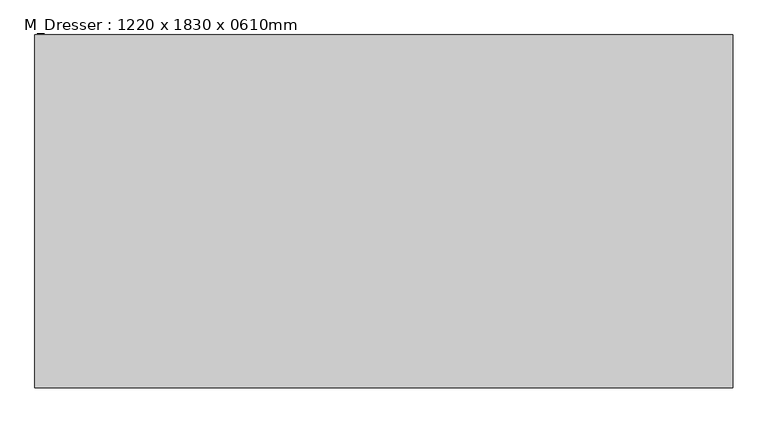
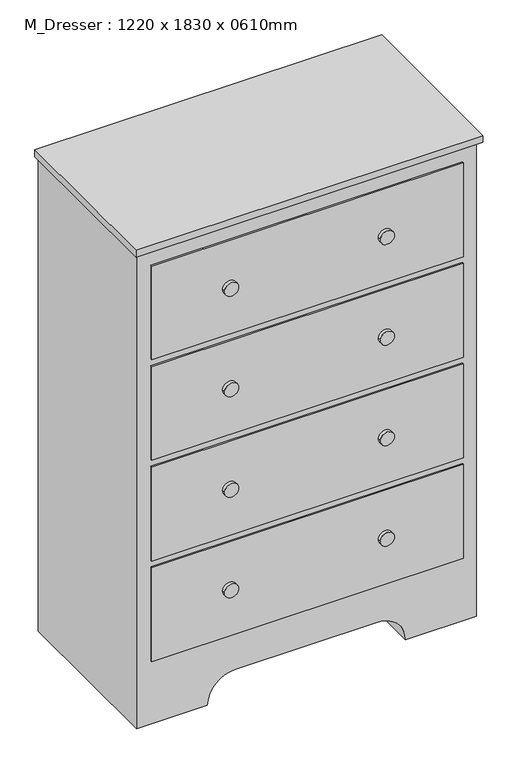
"""IFC4 building model written with IfcOpenShell, lengths in millimetres: furniture geometry, M_Dresser : 1220 x 1830 x 0610mm."""

from ifc_helpers import new_model, si_unit, point, frame, frame_2d, origin, place, context, project, spatial, polyline, circle_curve, trimmed, segment, composite_curve, outline, extrude, source, transform, mapped, element, save


def m_dresser_1220_x_1830_x_0610mm_7cb11019(model_context):
    return source(origin(), model_context, "Body", "SweptSolid", [
        extrude(outline(polyline([(353.5067402, -58.1629541), (353.5067402, -687.2129541), (-891.8932598, -687.2129541), (-891.8932598, -58.1629541), (353.5067402, -58.1629541)])), frame((0.0, 0.0, 1804.6), z_axis=(0.0, 0.0, 1.0), x_axis=(1.0, 0.0, 0.0)), (0.0, 0.0, 1.0), 25.4),
        extrude(outline(composite_curve([segment(polyline([(0.0, 340.8067402), (1804.6, 340.8067402), (1804.6, -879.1932598), (0.0, -879.1932598), (0.0, -625.1932598)]), True, "CONTINUOUS"), segment(trimmed(circle_curve(frame_2d((0.0, -523.5932598)), 101.6), [point((0.0, -625.1932598))], [point((101.6, -523.5932598))], True, "CARTESIAN"), True, "CONTINUOUS"), segment(polyline([(101.6, -523.5932598), (101.6, -14.7932598)]), True, "CONTINUOUS"), segment(trimmed(circle_curve(frame_2d((0.0, -14.7932598)), 101.6), [point((101.6, -14.7932598))], [point((0.0, 86.8067402))], True, "CARTESIAN"), True, "CONTINUOUS"), segment(polyline([(0.0, 86.8067402), (0.0, 340.8067402)]), True, "CONTINUOUS")], self_intersect=False)), frame((0.0, -668.1629541, 0.0), z_axis=(0.0, 1.0, 0.0), x_axis=(0.0, 0.0, 1.0)), (0.0, 0.0, 1.0), 610.0),
        extrude(outline(composite_curve([segment(trimmed(circle_curve(frame_2d((1563.15, 10.4067402)), 25.4), [point((1563.15, -14.9932598))], [point((1563.15, 35.8067402))], False, "CARTESIAN"), True, "CONTINUOUS"), segment(trimmed(circle_curve(frame_2d((1563.15, 10.4067402)), 25.4), [point((1563.15, 35.8067402))], [point((1563.15, -14.9932598))], False, "CARTESIAN"), True, "CONTINUOUS")], self_intersect=False)), frame((0.0, -687.2129541, 0.0), z_axis=(0.0, 1.0, 0.0), x_axis=(0.0, 0.0, 1.0)), (0.0, 0.0, 1.0), 12.7),
        extrude(outline(composite_curve([segment(trimmed(circle_curve(frame_2d((1181.85, 10.4067402)), 25.4), [point((1181.85, -14.9932598))], [point((1181.85, 35.8067402))], False, "CARTESIAN"), True, "CONTINUOUS"), segment(trimmed(circle_curve(frame_2d((1181.85, 10.4067402)), 25.4), [point((1181.85, 35.8067402))], [point((1181.85, -14.9932598))], False, "CARTESIAN"), True, "CONTINUOUS")], self_intersect=False)), frame((0.0, -687.2129541, 0.0), z_axis=(0.0, 1.0, 0.0), x_axis=(0.0, 0.0, 1.0)), (0.0, 0.0, 1.0), 12.7),
        extrude(outline(composite_curve([segment(trimmed(circle_curve(frame_2d((800.55, 10.4067402)), 25.4), [point((800.55, -14.9932598))], [point((800.55, 35.8067402))], False, "CARTESIAN"), True, "CONTINUOUS"), segment(trimmed(circle_curve(frame_2d((800.55, 10.4067402)), 25.4), [point((800.55, 35.8067402))], [point((800.55, -14.9932598))], False, "CARTESIAN"), True, "CONTINUOUS")], self_intersect=False)), frame((0.0, -687.2129541, 0.0), z_axis=(0.0, 1.0, 0.0), x_axis=(0.0, 0.0, 1.0)), (0.0, 0.0, 1.0), 12.7),
        extrude(outline(composite_curve([segment(trimmed(circle_curve(frame_2d((419.25, 10.4067402)), 25.4), [point((419.25, -14.9932598))], [point((419.25, 35.8067402))], False, "CARTESIAN"), True, "CONTINUOUS"), segment(trimmed(circle_curve(frame_2d((419.25, 10.4067402)), 25.4), [point((419.25, 35.8067402))], [point((419.25, -14.9932598))], False, "CARTESIAN"), True, "CONTINUOUS")], self_intersect=False)), frame((0.0, -687.2129541, 0.0), z_axis=(0.0, 1.0, 0.0), x_axis=(0.0, 0.0, 1.0)), (0.0, 0.0, 1.0), 12.7),
        extrude(outline(composite_curve([segment(trimmed(circle_curve(frame_2d((419.25, -548.7932598)), 25.4), [point((419.25, -574.1932598))], [point((419.25, -523.3932598))], False, "CARTESIAN"), True, "CONTINUOUS"), segment(trimmed(circle_curve(frame_2d((419.25, -548.7932598)), 25.4), [point((419.25, -523.3932598))], [point((419.25, -574.1932598))], False, "CARTESIAN"), True, "CONTINUOUS")], self_intersect=False)), frame((0.0, -687.2129541, 0.0), z_axis=(0.0, 1.0, 0.0), x_axis=(0.0, 0.0, 1.0)), (0.0, 0.0, 1.0), 12.7),
        extrude(outline(composite_curve([segment(trimmed(circle_curve(frame_2d((800.55, -548.7932598)), 25.4), [point((800.55, -574.1932598))], [point((800.55, -523.3932598))], False, "CARTESIAN"), True, "CONTINUOUS"), segment(trimmed(circle_curve(frame_2d((800.55, -548.7932598)), 25.4), [point((800.55, -523.3932598))], [point((800.55, -574.1932598))], False, "CARTESIAN"), True, "CONTINUOUS")], self_intersect=False)), frame((0.0, -687.2129541, 0.0), z_axis=(0.0, 1.0, 0.0), x_axis=(0.0, 0.0, 1.0)), (0.0, 0.0, 1.0), 12.7),
        extrude(outline(composite_curve([segment(trimmed(circle_curve(frame_2d((1181.85, -548.7932598)), 25.4), [point((1181.85, -574.1932598))], [point((1181.85, -523.3932598))], False, "CARTESIAN"), True, "CONTINUOUS"), segment(trimmed(circle_curve(frame_2d((1181.85, -548.7932598)), 25.4), [point((1181.85, -523.3932598))], [point((1181.85, -574.1932598))], False, "CARTESIAN"), True, "CONTINUOUS")], self_intersect=False)), frame((0.0, -687.2129541, 0.0), z_axis=(0.0, 1.0, 0.0), x_axis=(0.0, 0.0, 1.0)), (0.0, 0.0, 1.0), 12.7),
        extrude(outline(composite_curve([segment(trimmed(circle_curve(frame_2d((1563.15, -548.7932598)), 25.4), [point((1563.15, -574.1932598))], [point((1563.15, -523.3932598))], False, "CARTESIAN"), True, "CONTINUOUS"), segment(trimmed(circle_curve(frame_2d((1563.15, -548.7932598)), 25.4), [point((1563.15, -523.3932598))], [point((1563.15, -574.1932598))], False, "CARTESIAN"), True, "CONTINUOUS")], self_intersect=False)), frame((0.0, -687.2129541, 0.0), z_axis=(0.0, 1.0, 0.0), x_axis=(0.0, 0.0, 1.0)), (0.0, 0.0, 1.0), 12.7),
        extrude(outline(polyline([(290.0067402, -674.5129541), (-828.3932598, -674.5129541), (-828.3932598, -668.1629541), (290.0067402, -668.1629541), (290.0067402, -674.5129541)])), frame((0.0, 0.0, 1385.2), z_axis=(0.0, 0.0, 1.0), x_axis=(1.0, 0.0, 0.0)), (0.0, 0.0, 1.0), 355.9),
        extrude(outline(polyline([(290.0067402, -674.5129541), (-828.3932598, -674.5129541), (-828.3932598, -668.1629541), (290.0067402, -668.1629541), (290.0067402, -674.5129541)])), frame((0.0, 0.0, 1003.9), z_axis=(0.0, 0.0, 1.0), x_axis=(1.0, 0.0, 0.0)), (0.0, 0.0, 1.0), 355.9),
        extrude(outline(polyline([(290.0067402, -674.5129541), (-828.3932598, -674.5129541), (-828.3932598, -668.1629541), (290.0067402, -668.1629541), (290.0067402, -674.5129541)])), frame((0.0, 0.0, 622.6), z_axis=(0.0, 0.0, 1.0), x_axis=(1.0, 0.0, 0.0)), (0.0, 0.0, 1.0), 355.9),
        extrude(outline(polyline([(290.0067402, -674.5129541), (-828.3932598, -674.5129541), (-828.3932598, -668.1629541), (290.0067402, -668.1629541), (290.0067402, -674.5129541)])), frame((0.0, 0.0, 241.3), z_axis=(0.0, 0.0, 1.0), x_axis=(1.0, 0.0, 0.0)), (0.0, 0.0, 1.0), 355.9),
    ])


if __name__ == "__main__":
    model = new_model("IFC4")
    model_context = context("Model", 3, world=origin())
    ifc_project = project(units=[si_unit("LENGTHUNIT", "METRE", prefix="MILLI")], contexts=[model_context])
    site = spatial("IfcSite", under=ifc_project)
    building = spatial("IfcBuilding", under=site)
    placement = place(None, origin())
    m_dresser_1220_x_1830_x_0610mm_shape = m_dresser_1220_x_1830_x_0610mm_7cb11019(model_context)
    element("IfcFurniture", 1, ObjectType="M_Dresser : 1220 x 1830 x 0610mm", at=placement, inside=building, context=model_context, shape_type="MappedRepresentation", body=[
        mapped(m_dresser_1220_x_1830_x_0610mm_shape, transform((0.0, 0.0, 0.0), x_axis=(1.0, 0.0, 0.0), y_axis=(0.0, 1.0, 0.0), z_axis=(0.0, 0.0, 1.0))),
    ])
    save(model, "model.ifc")
